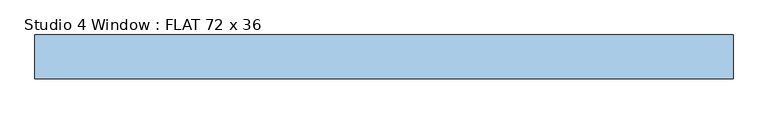
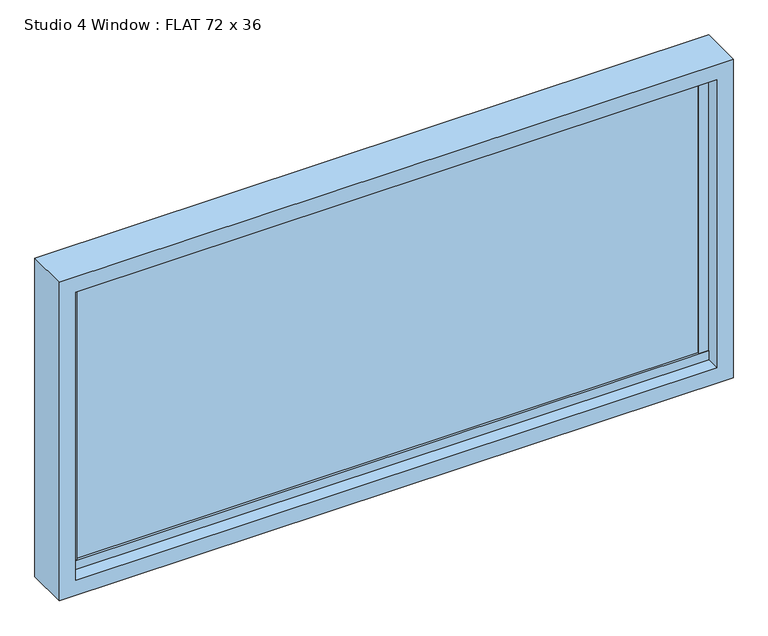
"""IFC4 building model written with IfcOpenShell, lengths in millimetres: window geometry, Studio 4 Window : FLAT 72 x 36."""

from ifc_helpers import new_model, si_unit, frame, origin, place, context, project, spatial, polyline, outline, extrude, faceted_brep, source, transform, mapped, element, save


def studio_4_window_flat_72_x_36_b8d2dcb4(model_context):
    return source(origin(), model_context, "Body", "SolidModel", [
        extrude(outline(polyline([(869.95, 26.95), (844.55, 26.95), (844.55, 61.95), (869.95, 61.95), (869.95, 26.95)])), frame((0.0, 0.0, 863.5), z_axis=(0.0, 0.0, 1.0), x_axis=(1.0, 0.0, 0.0)), (0.0, 0.0, 1.0), 787.4),
        extrude(outline(polyline([(-844.55, 61.95), (-844.55, 26.95), (-869.95, 26.95), (-869.95, 61.95), (-844.55, 61.95)])), frame((0.0, 0.0, 863.5), z_axis=(0.0, 0.0, 1.0), x_axis=(1.0, 0.0, 0.0)), (0.0, 0.0, 1.0), 787.4),
        extrude(outline(polyline([(869.95, 31.75), (-869.95, 31.75), (-869.95, 57.15), (869.95, 57.15), (869.95, 31.75)])), frame((0.0, 0.0, 863.5), z_axis=(0.0, 0.0, 1.0), x_axis=(1.0, 0.0, 0.0)), (0.0, 0.0, 1.0), 787.4),
        faceted_brep([(914.4, -12.7, 1714.4), (-914.4, -12.7, 1714.4), (-914.4, -12.7, 800.0), (914.4, -12.7, 800.0), (869.95, -12.7, 1669.95), (869.95, -12.7, 844.45), (-869.95, -12.7, 844.45), (-869.95, -12.7, 1669.95), (-914.4, 101.6, 1714.4), (-914.4, 101.6, 800.0), (914.4, 101.6, 1714.4), (914.4, 101.6, 800.0), (869.95, 101.6, 1669.95), (-869.95, 101.6, 1669.95), (-869.95, 101.6, 844.45), (869.95, 101.6, 844.45), (-869.95, 24.8474338, 869.8750418), (869.95, 24.8474338, 869.8750418), (869.95, 64.0525662, 869.8750418), (-869.95, 64.0525662, 869.8750418), (-869.95, 24.8474338, 844.45), (869.95, 24.8474338, 844.45), (-869.95, 64.0525662, 844.45), (-869.95, 64.0525662, 1669.95), (-869.95, 64.0525662, 1644.55), (-869.95, 24.8474338, 1644.55), (-869.95, 24.8474338, 1669.95), (869.95, 64.0525662, 844.45), (869.95, 24.8474338, 1669.95), (869.95, 24.8474338, 1644.55), (869.95, 64.0525662, 1644.55), (869.95, 64.0525662, 1669.95)], [[[0, 1, 2, 3], [4, 5, 6, 7]], [[2, 1, 8, 9]], [[10, 11, 9, 8], [12, 13, 14, 15]], [[3, 2, 9, 11]], [[0, 3, 11, 10]], [[16, 17, 18, 19]], [[17, 16, 20, 21]], [[7, 6, 20, 16, 19, 22, 14, 13, 23, 24, 25, 26]], [[6, 5, 21, 20]], [[15, 14, 22, 27]], [[5, 4, 28, 29, 30, 31, 12, 15, 27, 18, 17, 21]], [[19, 18, 27, 22]], [[30, 24, 23, 31]], [[24, 30, 29, 25]], [[25, 29, 28, 26]], [[1, 0, 10, 8]], [[4, 7, 26, 28]], [[13, 12, 31, 23]]]),
    ])


if __name__ == "__main__":
    model = new_model("IFC4")
    model_context = context("Model", 3, world=origin())
    ifc_project = project(units=[si_unit("LENGTHUNIT", "METRE", prefix="MILLI")], contexts=[model_context])
    site = spatial("IfcSite", under=ifc_project)
    building = spatial("IfcBuilding", under=site)
    placement = place(None, origin())
    studio_4_window_flat_72_x_36_shape = studio_4_window_flat_72_x_36_b8d2dcb4(model_context)
    element("IfcWindow", 1, ObjectType="Studio 4 Window : FLAT 72 x 36", at=placement, inside=building, context=model_context, shape_type="MappedRepresentation", body=[
        mapped(studio_4_window_flat_72_x_36_shape, transform((0.0, 0.0, 0.0), x_axis=(1.0, 0.0, 0.0), y_axis=(0.0, 1.0, 0.0), z_axis=(0.0, 0.0, 1.0))),
    ])
    save(model, "model.ifc")
